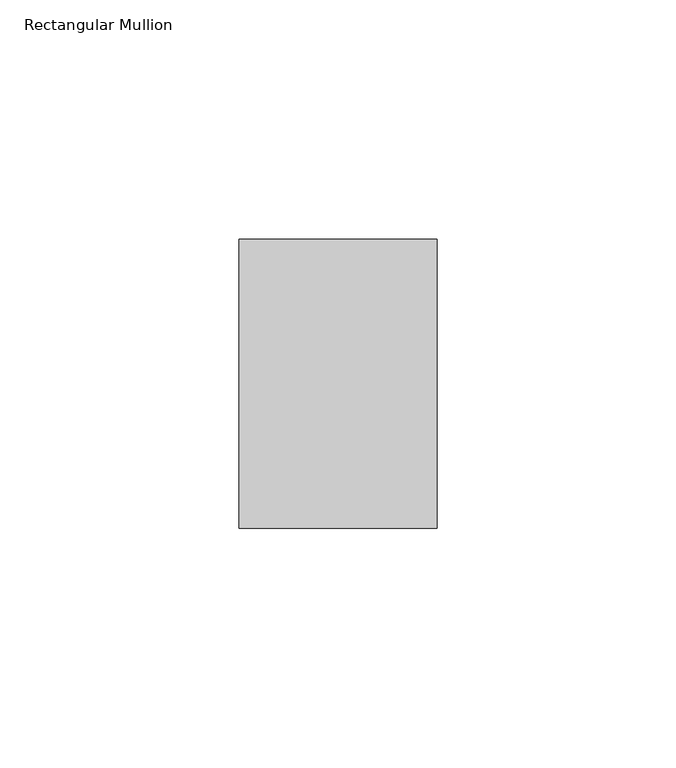
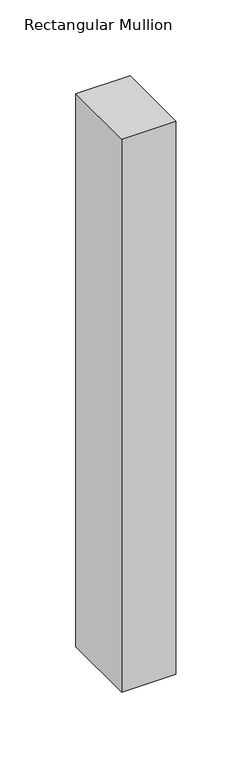
"""IFC4 building model written with IfcOpenShell, lengths in millimetres: member geometry, Rectangular Mullion."""

from ifc_helpers import new_model, si_unit, frame, origin, place, context, project, spatial, polyline, outline, extrude, source, transform, mapped, element, save


def rectangular_mullion_a275e025(model_context):
    return source(origin(), model_context, "Body", "SweptSolid", [
        extrude(outline(polyline([(0.0, -50.8), (-41.275, -50.8), (-41.275, 9.525), (0.0, 9.525), (0.0, -50.8)])), frame((0.0, 0.0, -444.5), z_axis=(0.0, 0.0, 1.0), x_axis=(1.0, 0.0, 0.0)), (0.0, 0.0, 1.0), 444.5),
    ])


if __name__ == "__main__":
    model = new_model("IFC4")
    model_context = context("Model", 3, world=origin())
    ifc_project = project(units=[si_unit("LENGTHUNIT", "METRE", prefix="MILLI")], contexts=[model_context])
    site = spatial("IfcSite", under=ifc_project)
    building = spatial("IfcBuilding", under=site)
    placement = place(None, origin())
    rectangular_mullion_shape = rectangular_mullion_a275e025(model_context)
    element("IfcMember", 1, ObjectType="Rectangular Mullion", at=placement, inside=building, context=model_context, shape_type="MappedRepresentation", body=[
        mapped(rectangular_mullion_shape, transform((0.0, 0.0, 0.0), x_axis=(1.0, 0.0, 0.0), y_axis=(0.0, 1.0, 0.0), z_axis=(0.0, 0.0, 1.0))),
    ])
    save(model, "model.ifc")
